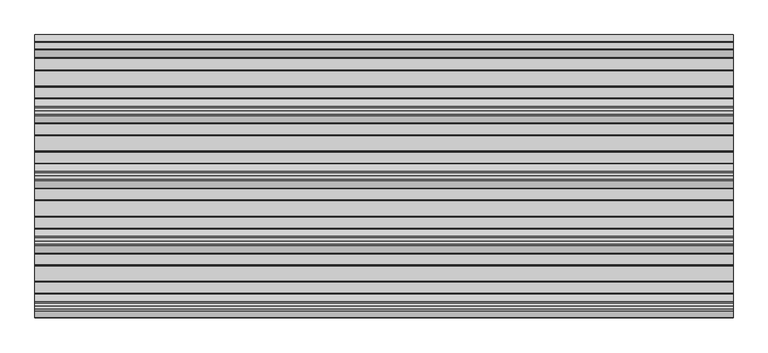
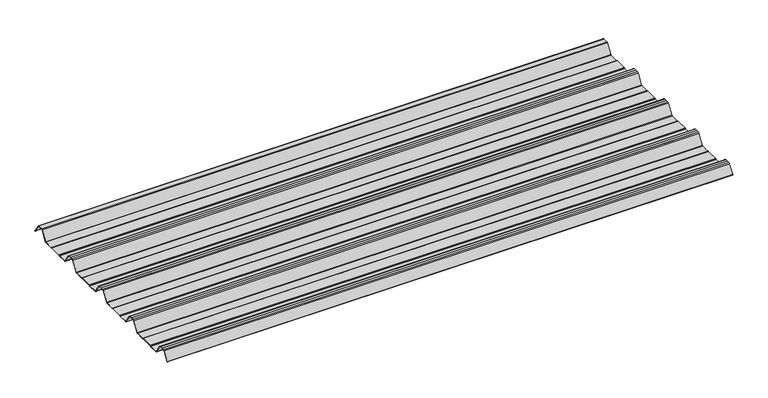
"""IFC4 building model written with IfcOpenShell, lengths in millimetres: beam geometry."""

import ifcopenshell
import ifcopenshell.guid

model = None  # the IFC model being written
_history = None  # IfcOwnerHistory: only IFC2X3 demands one
_inside = {}  # id of a spatial element -> (the spatial element, [elements in it])
_under = {}  # id of a project, library or spatial element -> (it, [spatial elements below it])
_declared = {}  # id of a project -> (the project, [libraries it declares])
_typed = {}  # id of a type object -> (the type object, [elements of that type])
_made_of = {}  # id of a material, layer set ... -> (it, [elements and type objects made of it])


def new_model(schema):
    """Start an empty IFC model of exactly this schema.

    Asked for "IFC4X3", IfcOpenShell would pick the latest addendum, in which some entities
    have other attributes; the version numbers below select the first issue.
    IFC2X3 requires an IfcOwnerHistory on every rooted entity: one is made here for all.
    """
    global model, _history
    if schema == "IFC4X3":
        model = ifcopenshell.file(schema_version=(4, 3, 0, 0))
    else:
        model = ifcopenshell.file(schema=schema)
    _inside.clear()
    _under.clear()
    _declared.clear()
    _typed.clear()
    _made_of.clear()
    _history = None
    if model.schema == "IFC2X3":
        org = make("IfcOrganization", Name="unknown")
        user = make(
            "IfcPersonAndOrganization",
            ThePerson=make("IfcPerson", FamilyName="unknown"),
            TheOrganization=org,
        )
        app = make(
            "IfcApplication",
            ApplicationDeveloper=org,
            Version="unknown",
            ApplicationFullName="unknown",
            ApplicationIdentifier="unknown",
        )
        _history = make(
            "IfcOwnerHistory",
            OwningUser=user,
            OwningApplication=app,
            ChangeAction="ADDED",
            CreationDate=0,
        )
    return model


def make(cls, **values):
    """One entity of the class cls with the attributes given. An attribute that is None is left unset."""
    return model.create_entity(
        cls, **{name: value for name, value in values.items() if value is not None}
    )


def rooted(cls, **values):
    """An entity with a GlobalId (a new one), such as an element, a storey or a relation."""
    return make(cls, GlobalId=ifcopenshell.guid.new(), OwnerHistory=_history, **values)


def si_unit(unit_type, name, prefix=None):
    """IfcSIUnit, for example si_unit("LENGTHUNIT", "METRE", prefix="MILLI")."""
    return make("IfcSIUnit", UnitType=unit_type, Prefix=prefix, Name=name)


def assignment(units):
    """IfcUnitAssignment: the units of a project."""
    return None if units is None else make("IfcUnitAssignment", Units=units)


def point(xyz):
    """IfcCartesianPoint."""
    return None if xyz is None else make("IfcCartesianPoint", Coordinates=xyz)


def direction(xyz):
    """IfcDirection."""
    return None if xyz is None else make("IfcDirection", DirectionRatios=xyz)


def frame(location, z_axis=None, x_axis=None):
    """IfcAxis2Placement3D, a coordinate frame: its origin and axes. An axis left out is left unset."""
    return make(
        "IfcAxis2Placement3D",
        Location=point(location),
        Axis=direction(z_axis),
        RefDirection=direction(x_axis),
    )


def frame_2d(location, x_axis=None):
    """IfcAxis2Placement2D, a coordinate frame in the plane: its origin and x axis."""
    return make(
        "IfcAxis2Placement2D", Location=point(location), RefDirection=direction(x_axis)
    )


def origin():
    """The frame at (0, 0, 0) with its axes left unset."""
    return frame((0.0, 0.0, 0.0))


def place(relative_to, where):
    """IfcLocalPlacement: puts the frame where relative to a parent placement (None: the world)."""
    return make(
        "IfcLocalPlacement", PlacementRelTo=relative_to, RelativePlacement=where
    )


def context(
    kind, dimensions, precision=None, world=None, true_north=None, identifier=None
):
    """IfcGeometricRepresentationContext, for example the 3D "Model" context."""
    return make(
        "IfcGeometricRepresentationContext",
        ContextIdentifier=identifier,
        ContextType=kind,
        CoordinateSpaceDimension=dimensions,
        Precision=precision,
        WorldCoordinateSystem=world,
        TrueNorth=true_north,
    )


def project(units=None, contexts=None):
    """IfcProject with its units and contexts."""
    return rooted(
        "IfcProject",
        Name="project",
        RepresentationContexts=contexts,
        UnitsInContext=assignment(units),
    )


def spatial(cls, under=None, at=None, **own):
    """A site, building, storey or space (cls), placed at a placement, below another one or the project."""
    s = rooted(cls, ObjectPlacement=at, **own)
    if under is not None:
        _under.setdefault(under.id(), (under, []))[1].append(s)
    return s


def polyline(points):
    """IfcPolyline through the points."""
    return make("IfcPolyline", Points=[point(p) for p in points])


def circle_curve(where, radius):
    """IfcCircle in the frame where."""
    return make("IfcCircle", Position=where, Radius=radius)


def trimmed(basis, trim1, trim2, sense, master):
    """IfcTrimmedCurve: the piece of a basis curve between two trims."""
    return make(
        "IfcTrimmedCurve",
        BasisCurve=basis,
        Trim1=trim1,
        Trim2=trim2,
        SenseAgreement=sense,
        MasterRepresentation=master,
    )


def segment(curve, same_sense, transition):
    """IfcCompositeCurveSegment."""
    return make(
        "IfcCompositeCurveSegment",
        Transition=transition,
        SameSense=same_sense,
        ParentCurve=curve,
    )


def composite_curve(segments, self_intersect=None):
    """IfcCompositeCurve: segments joined end to end."""
    return make("IfcCompositeCurve", Segments=segments, SelfIntersect=self_intersect)


def outline(outer, holes=None, kind="AREA"):
    """IfcArbitraryClosedProfileDef: a profile drawn as a closed curve; with holes, ...WithVoids."""
    if holes is None:
        return make("IfcArbitraryClosedProfileDef", ProfileType=kind, OuterCurve=outer)
    return make(
        "IfcArbitraryProfileDefWithVoids",
        ProfileType=kind,
        OuterCurve=outer,
        InnerCurves=holes,
    )


def extrude(swept, where, along, depth):
    """IfcExtrudedAreaSolid: the profile swept, set in the frame where, extruded along a direction by depth."""
    return make(
        "IfcExtrudedAreaSolid",
        SweptArea=swept,
        Position=where,
        ExtrudedDirection=direction(along),
        Depth=depth,
    )


def shape(context_of_items, identifier, shape_type, items):
    """IfcShapeRepresentation: the items that make up one representation, for example the "Body"."""
    return make(
        "IfcShapeRepresentation",
        ContextOfItems=context_of_items,
        RepresentationIdentifier=identifier,
        RepresentationType=shape_type,
        Items=items,
    )


def source(mapping_origin, context_of_items, identifier, shape_type, items):
    """IfcRepresentationMap: a shape defined once, which mapped items show again and again."""
    return make(
        "IfcRepresentationMap",
        MappingOrigin=mapping_origin,
        MappedRepresentation=shape(context_of_items, identifier, shape_type, items),
    )


def transform(
    local_origin,
    x_axis=None,
    y_axis=None,
    z_axis=None,
    scale=None,
    scale2=None,
    scale3=None,
    uniform=True,
):
    """IfcCartesianTransformationOperator3D, or its non-uniform kind. x_axis, y_axis, z_axis: its Axis1, 2, 3."""
    if uniform:
        return make(
            "IfcCartesianTransformationOperator3D",
            Axis1=direction(x_axis),
            Axis2=direction(y_axis),
            LocalOrigin=point(local_origin),
            Scale=scale,
            Axis3=direction(z_axis),
        )
    return make(
        "IfcCartesianTransformationOperator3DnonUniform",
        Axis1=direction(x_axis),
        Axis2=direction(y_axis),
        LocalOrigin=point(local_origin),
        Scale=scale,
        Axis3=direction(z_axis),
        Scale2=scale2,
        Scale3=scale3,
    )


def mapped(mapping_source, mapping_target):
    """IfcMappedItem: shows the shape of a source again, moved by a transform."""
    return make(
        "IfcMappedItem", MappingSource=mapping_source, MappingTarget=mapping_target
    )


def made_of(thing, what):
    """Note that an element or type object is made of a material, layer set ...; save() writes the relation."""
    if what is not None:
        _made_of.setdefault(what.id(), (what, []))[1].append(thing)
    return thing


def element(
    cls,
    number,
    at=None,
    inside=None,
    cuts=None,
    type_object=None,
    material=None,
    context=None,
    identifier="Body",
    shape_type=None,
    held_by="IfcProductDefinitionShape",
    body=None,
    shapes=None,
    **own,
):
    """One element of the class cls, such as IfcWall. Its Tag is "e" and its number.

    at: its placement. inside: the storey or other place that contains it. cuts: it is an
    opening in that element (IfcRelVoidsElement). A single representation is given by context,
    identifier, shape_type and body (its items); several are given by shapes. held_by: the class
    of the entity that holds the representations. save() writes the other relations.
    """
    e = rooted(cls, Tag="e%d" % number, ObjectPlacement=at, **own)
    if body is not None:
        shapes = [shape(context, identifier, shape_type, body)]
    if shapes is not None:
        e.Representation = make(held_by, Representations=shapes)
    if inside is not None:
        _inside.setdefault(inside.id(), (inside, []))[1].append(e)
    if cuts is not None:
        rooted(
            "IfcRelVoidsElement", RelatingBuildingElement=cuts, RelatedOpeningElement=e
        )
    if type_object is not None:
        _typed.setdefault(type_object.id(), (type_object, []))[1].append(e)
    return made_of(e, material)


def aggregate(whole, parts):
    """IfcRelAggregates: a whole, such as a stair, and the parts it consists of."""
    return rooted("IfcRelAggregates", RelatingObject=whole, RelatedObjects=parts)


def save(model, path):
    """Write the relations noted so far, then the file.

    IfcRelAggregates (storeys below a building ...), IfcRelContainedInSpatialStructure (elements
    in a storey), IfcRelDefinesByType, IfcRelAssociatesMaterial and IfcRelDeclares: one each for
    every whole, place, type object, material and project.
    """
    for whole, parts in _under.values():
        aggregate(whole, parts)
    for where, things in _inside.values():
        rooted(
            "IfcRelContainedInSpatialStructure",
            RelatedElements=things,
            RelatingStructure=where,
        )
    for kind, things in _typed.values():
        rooted("IfcRelDefinesByType", RelatedObjects=things, RelatingType=kind)
    for what, things in _made_of.values():
        rooted("IfcRelAssociatesMaterial", RelatedObjects=things, RelatingMaterial=what)
    for by, libraries in _declared.values():
        rooted("IfcRelDeclares", RelatingContext=by, RelatedDefinitions=libraries)
    model.write(path)


def beam_0d22305b(model_context):
    return source(origin(), model_context, "Body", "SweptSolid", [
        extrude(outline(composite_curve([segment(trimmed(circle_curve(frame_2d((-42.8221294, -22.7927378)), 1.9969096), [point((-42.8221294, -24.7896475))], [point((-41.1570881, -23.8951378))], True, "CARTESIAN"), True, "CONTINUOUS"), segment(polyline([(-41.1570881, -23.8951378), (-15.2135106, 15.2894853)]), True, "CONTINUOUS"), segment(trimmed(circle_curve(frame_2d((-11.5, 12.6603525)), 4.55), [point((-15.2135106, 15.2894853))], [point((-11.5, 17.2103525))], False, "CARTESIAN"), True, "CONTINUOUS"), segment(polyline([(-11.5, 17.2103525), (11.5, 17.2103525)]), True, "CONTINUOUS"), segment(trimmed(circle_curve(frame_2d((11.5, 12.6603525)), 4.55), [point((11.5, 17.2103525))], [point((15.2135106, 15.2894853))], False, "CARTESIAN"), True, "CONTINUOUS"), segment(polyline([(15.2135106, 15.2894853), (40.2177712, -22.4764137)]), True, "CONTINUOUS"), segment(trimmed(circle_curve(frame_2d((39.8008667, -22.7524402)), 0.5), [point((40.2177712, -22.4764137))], [point((39.3839622, -23.0284667))], False, "CARTESIAN"), True, "CONTINUOUS"), segment(polyline([(39.3839622, -23.0284667), (14.3888612, 14.7235977)]), True, "CONTINUOUS"), segment(trimmed(circle_curve(frame_2d((11.5, 12.6603525)), 3.55), [point((14.3888612, 14.7235977))], [point((11.5, 16.2103525))], True, "CARTESIAN"), True, "CONTINUOUS"), segment(polyline([(11.5, 16.2103525), (-11.5, 16.2103525)]), True, "CONTINUOUS"), segment(trimmed(circle_curve(frame_2d((-11.5, 12.6603525)), 3.55), [point((-11.5, 16.2103525))], [point((-14.3888612, 14.7235977))], True, "CARTESIAN"), True, "CONTINUOUS"), segment(polyline([(-14.3888612, 14.7235977), (-40.3232791, -24.4471908)]), True, "CONTINUOUS"), segment(trimmed(circle_curve(frame_2d((-42.8221294, -22.7927378)), 2.9969096), [point((-40.3232791, -24.4471908))], [point((-42.8221294, -25.7896475))], False, "CARTESIAN"), True, "CONTINUOUS"), segment(polyline([(-42.8221294, -25.7896475), (-85.388552, -25.7896475)]), True, "CONTINUOUS"), segment(trimmed(circle_curve(frame_2d((-85.388552, -24.3396475)), 1.45), [point((-85.388552, -25.7896475))], [point((-86.3205937, -25.4504122))], False, "CARTESIAN"), True, "CONTINUOUS"), segment(polyline([(-86.3205937, -25.4504122), (-87.5888326, -24.386234)]), True, "CONTINUOUS"), segment(trimmed(circle_curve(frame_2d((-89.2279412, -26.3396487)), 2.5500012), [point((-87.5888326, -24.386234))], [point((-89.2279412, -23.7896475))], True, "CARTESIAN"), True, "CONTINUOUS"), segment(polyline([(-89.2279412, -23.7896475), (-143.2720588, -23.7896475)]), True, "CONTINUOUS"), segment(trimmed(circle_curve(frame_2d((-143.2720588, -26.3396487)), 2.5500012), [point((-143.2720588, -23.7896475))], [point((-144.9111674, -24.386234))], True, "CARTESIAN"), True, "CONTINUOUS"), segment(polyline([(-144.9111674, -24.386234), (-146.1794063, -25.4504122)]), True, "CONTINUOUS"), segment(trimmed(circle_curve(frame_2d((-147.111448, -24.3396475)), 1.45), [point((-146.1794063, -25.4504122))], [point((-147.111448, -25.7896475))], False, "CARTESIAN"), True, "CONTINUOUS"), segment(polyline([(-147.111448, -25.7896475), (-186.4999995, -25.7896475)]), True, "CONTINUOUS"), segment(trimmed(circle_curve(frame_2d((-186.4999995, -21.3396478)), 4.4499996), [point((-186.4999995, -25.7896475))], [point((-190.1531515, -23.8807062))], False, "CARTESIAN"), True, "CONTINUOUS"), segment(polyline([(-190.1531515, -23.8807062), (-216.4608773, 15.8539187)]), True, "CONTINUOUS"), segment(trimmed(circle_curve(frame_2d((-221.0, 12.6603525)), 5.55), [point((-216.4608773, 15.8539187))], [point((-221.0, 18.2103525))], True, "CARTESIAN"), True, "CONTINUOUS"), segment(polyline([(-221.0, 18.2103525), (-232.5, 18.2103525), (-244.0, 18.2103525)]), True, "CONTINUOUS"), segment(trimmed(circle_curve(frame_2d((-244.0, 12.6603525)), 5.55), [point((-244.0, 18.2103525))], [point((-248.5391227, 15.8539187))], True, "CARTESIAN"), True, "CONTINUOUS"), segment(polyline([(-248.5391227, 15.8539187), (-274.8468485, -23.8807062)]), True, "CONTINUOUS"), segment(trimmed(circle_curve(frame_2d((-278.5000005, -21.3396478)), 4.4499996), [point((-274.8468485, -23.8807062))], [point((-278.5000005, -25.7896475))], False, "CARTESIAN"), True, "CONTINUOUS"), segment(polyline([(-278.5000005, -25.7896475), (-317.888552, -25.7896475)]), True, "CONTINUOUS"), segment(trimmed(circle_curve(frame_2d((-317.888552, -24.3396475)), 1.45), [point((-317.888552, -25.7896475))], [point((-318.8205937, -25.4504122))], False, "CARTESIAN"), True, "CONTINUOUS"), segment(polyline([(-318.8205937, -25.4504122), (-320.0888326, -24.386234)]), True, "CONTINUOUS"), segment(trimmed(circle_curve(frame_2d((-321.7279412, -26.3396487)), 2.5500012), [point((-320.0888326, -24.386234))], [point((-321.7279412, -23.7896475))], True, "CARTESIAN"), True, "CONTINUOUS"), segment(polyline([(-321.7279412, -23.7896475), (-375.7720588, -23.7896475)]), True, "CONTINUOUS"), segment(trimmed(circle_curve(frame_2d((-375.7720588, -26.3396487)), 2.5500012), [point((-375.7720588, -23.7896475))], [point((-377.4111674, -24.386234))], True, "CARTESIAN"), True, "CONTINUOUS"), segment(polyline([(-377.4111674, -24.386234), (-378.6794063, -25.4504122)]), True, "CONTINUOUS"), segment(trimmed(circle_curve(frame_2d((-379.611448, -24.3396475)), 1.45), [point((-378.6794063, -25.4504122))], [point((-379.611448, -25.7896475))], False, "CARTESIAN"), True, "CONTINUOUS"), segment(polyline([(-379.611448, -25.7896475), (-418.9999995, -25.7896475)]), True, "CONTINUOUS"), segment(trimmed(circle_curve(frame_2d((-418.9999995, -21.3396478)), 4.4499996), [point((-418.9999995, -25.7896475))], [point((-422.6531515, -23.8807062))], False, "CARTESIAN"), True, "CONTINUOUS"), segment(polyline([(-422.6531515, -23.8807062), (-448.9608773, 15.8539187)]), True, "CONTINUOUS"), segment(trimmed(circle_curve(frame_2d((-453.5, 12.6603525)), 5.55), [point((-448.9608773, 15.8539187))], [point((-453.5, 18.2103525))], True, "CARTESIAN"), True, "CONTINUOUS"), segment(polyline([(-453.5, 18.2103525), (-465.0, 18.2103525), (-476.5, 18.2103525)]), True, "CONTINUOUS"), segment(trimmed(circle_curve(frame_2d((-476.5, 12.6603525)), 5.55), [point((-476.5, 18.2103525))], [point((-481.0391227, 15.8539187))], True, "CARTESIAN"), True, "CONTINUOUS"), segment(polyline([(-481.0391227, 15.8539187), (-507.3468485, -23.8807062)]), True, "CONTINUOUS"), segment(trimmed(circle_curve(frame_2d((-511.0000005, -21.3396478)), 4.4499996), [point((-507.3468485, -23.8807062))], [point((-511.0000005, -25.7896475))], False, "CARTESIAN"), True, "CONTINUOUS"), segment(polyline([(-511.0000005, -25.7896475), (-550.388552, -25.7896475)]), True, "CONTINUOUS"), segment(trimmed(circle_curve(frame_2d((-550.388552, -24.3396475)), 1.45), [point((-550.388552, -25.7896475))], [point((-551.3205937, -25.4504122))], False, "CARTESIAN"), True, "CONTINUOUS"), segment(polyline([(-551.3205937, -25.4504122), (-552.5888326, -24.386234)]), True, "CONTINUOUS"), segment(trimmed(circle_curve(frame_2d((-554.2279412, -26.3396487)), 2.5500012), [point((-552.5888326, -24.386234))], [point((-554.2279412, -23.7896475))], True, "CARTESIAN"), True, "CONTINUOUS"), segment(polyline([(-554.2279412, -23.7896475), (-608.2720588, -23.7896475)]), True, "CONTINUOUS"), segment(trimmed(circle_curve(frame_2d((-608.2720588, -26.3396487)), 2.5500012), [point((-608.2720588, -23.7896475))], [point((-609.9111674, -24.386234))], True, "CARTESIAN"), True, "CONTINUOUS"), segment(polyline([(-609.9111674, -24.386234), (-611.1794063, -25.4504122)]), True, "CONTINUOUS"), segment(trimmed(circle_curve(frame_2d((-612.111448, -24.3396475)), 1.45), [point((-611.1794063, -25.4504122))], [point((-612.111448, -25.7896475))], False, "CARTESIAN"), True, "CONTINUOUS"), segment(polyline([(-612.111448, -25.7896475), (-651.4999995, -25.7896475)]), True, "CONTINUOUS"), segment(trimmed(circle_curve(frame_2d((-651.4999995, -21.3396478)), 4.4499996), [point((-651.4999995, -25.7896475))], [point((-655.1531515, -23.8807062))], False, "CARTESIAN"), True, "CONTINUOUS"), segment(polyline([(-655.1531515, -23.8807062), (-681.4608773, 15.8539187)]), True, "CONTINUOUS"), segment(trimmed(circle_curve(frame_2d((-686.0, 12.6603525)), 5.55), [point((-681.4608773, 15.8539187))], [point((-686.0, 18.2103525))], True, "CARTESIAN"), True, "CONTINUOUS"), segment(polyline([(-686.0, 18.2103525), (-697.5, 18.2103525), (-709.0, 18.2103525)]), True, "CONTINUOUS"), segment(trimmed(circle_curve(frame_2d((-709.0, 12.6603525)), 5.55), [point((-709.0, 18.2103525))], [point((-713.5391227, 15.8539187))], True, "CARTESIAN"), True, "CONTINUOUS"), segment(polyline([(-713.5391227, 15.8539187), (-739.8468485, -23.8807062)]), True, "CONTINUOUS"), segment(trimmed(circle_curve(frame_2d((-743.5000005, -21.3396478)), 4.4499996), [point((-739.8468485, -23.8807062))], [point((-743.5000005, -25.7896475))], False, "CARTESIAN"), True, "CONTINUOUS"), segment(polyline([(-743.5000005, -25.7896475), (-782.888552, -25.7896475)]), True, "CONTINUOUS"), segment(trimmed(circle_curve(frame_2d((-782.888552, -24.3396475)), 1.45), [point((-782.888552, -25.7896475))], [point((-783.8205937, -25.4504122))], False, "CARTESIAN"), True, "CONTINUOUS"), segment(polyline([(-783.8205937, -25.4504122), (-785.0888326, -24.386234)]), True, "CONTINUOUS"), segment(trimmed(circle_curve(frame_2d((-786.7279412, -26.3396487)), 2.5500012), [point((-785.0888326, -24.386234))], [point((-786.7279412, -23.7896475))], True, "CARTESIAN"), True, "CONTINUOUS"), segment(polyline([(-786.7279412, -23.7896475), (-840.7720588, -23.7896475)]), True, "CONTINUOUS"), segment(trimmed(circle_curve(frame_2d((-840.7720588, -26.3396487)), 2.5500012), [point((-840.7720588, -23.7896475))], [point((-842.4111674, -24.386234))], True, "CARTESIAN"), True, "CONTINUOUS"), segment(polyline([(-842.4111674, -24.386234), (-843.6794063, -25.4504122)]), True, "CONTINUOUS"), segment(trimmed(circle_curve(frame_2d((-844.611448, -24.3396475)), 1.45), [point((-843.6794063, -25.4504122))], [point((-844.611448, -25.7896475))], False, "CARTESIAN"), True, "CONTINUOUS"), segment(polyline([(-844.611448, -25.7896475), (-883.9999995, -25.7896475)]), True, "CONTINUOUS"), segment(trimmed(circle_curve(frame_2d((-883.9999995, -21.3396478)), 4.4499996), [point((-883.9999995, -25.7896475))], [point((-887.6531515, -23.8807062))], False, "CARTESIAN"), True, "CONTINUOUS"), segment(polyline([(-887.6531515, -23.8807062), (-913.9608773, 15.8539187)]), True, "CONTINUOUS"), segment(trimmed(circle_curve(frame_2d((-918.5, 12.6603525)), 5.55), [point((-913.9608773, 15.8539187))], [point((-918.5, 18.2103525))], True, "CARTESIAN"), True, "CONTINUOUS"), segment(polyline([(-918.5, 18.2103525), (-930.0, 18.2103525), (-941.5, 18.2103525)]), True, "CONTINUOUS"), segment(trimmed(circle_curve(frame_2d((-941.5, 12.6603525)), 5.55), [point((-941.5, 18.2103525))], [point((-946.0391227, 15.8539187))], True, "CARTESIAN"), True, "CONTINUOUS"), segment(polyline([(-946.0391227, 15.8539187), (-969.9715304, -20.2930766)]), True, "CONTINUOUS"), segment(trimmed(circle_curve(frame_2d((-970.3884349, -20.0170501)), 0.5), [point((-969.9715304, -20.2930766))], [point((-970.8053395, -19.7410236))], False, "CARTESIAN"), True, "CONTINUOUS"), segment(polyline([(-970.8053395, -19.7410236), (-946.8654458, 16.4172784)]), True, "CONTINUOUS"), segment(trimmed(circle_curve(frame_2d((-941.5, 12.6603525)), 6.55), [point((-946.8654458, 16.4172784))], [point((-941.5, 19.2103525))], False, "CARTESIAN"), True, "CONTINUOUS"), segment(polyline([(-941.5, 19.2103525), (-930.0, 19.2103525), (-918.5, 19.2103525)]), True, "CONTINUOUS"), segment(trimmed(circle_curve(frame_2d((-918.5, 12.6603525)), 6.55), [point((-918.5, 19.2103525))], [point((-913.1345542, 16.4172784))], False, "CARTESIAN"), True, "CONTINUOUS"), segment(polyline([(-913.1345542, 16.4172784), (-886.8260739, -23.3184861)]), True, "CONTINUOUS"), segment(trimmed(circle_curve(frame_2d((-883.9999995, -21.3396478)), 3.4499996), [point((-886.8260739, -23.3184861))], [point((-883.9999995, -24.7896475))], True, "CARTESIAN"), True, "CONTINUOUS"), segment(polyline([(-883.9999995, -24.7896475), (-844.8915726, -24.7896475)]), True, "CONTINUOUS"), segment(trimmed(circle_curve(frame_2d((-844.8915726, -23.5700111)), 1.2196364), [point((-844.8915726, -24.7896475))], [point((-844.1076057, -24.504307))], True, "CARTESIAN"), True, "CONTINUOUS"), segment(polyline([(-844.1076057, -24.504307), (-843.0539548, -23.6201894)]), True, "CONTINUOUS"), segment(trimmed(circle_curve(frame_2d((-840.7720588, -26.3396487)), 3.5500012), [point((-843.0539548, -23.6201894))], [point((-840.7720588, -22.7896475))], False, "CARTESIAN"), True, "CONTINUOUS"), segment(polyline([(-840.7720588, -22.7896475), (-786.7279412, -22.7896475)]), True, "CONTINUOUS"), segment(trimmed(circle_curve(frame_2d((-786.7279412, -26.3396487)), 3.5500012), [point((-786.7279412, -22.7896475))], [point((-784.4460452, -23.6201894))], False, "CARTESIAN"), True, "CONTINUOUS"), segment(polyline([(-784.4460452, -23.6201894), (-783.3923943, -24.504307)]), True, "CONTINUOUS"), segment(trimmed(circle_curve(frame_2d((-782.6084274, -23.5700111)), 1.2196364), [point((-783.3923943, -24.504307))], [point((-782.6084274, -24.7896475))], True, "CARTESIAN"), True, "CONTINUOUS"), segment(polyline([(-782.6084274, -24.7896475), (-743.5000005, -24.7896475)]), True, "CONTINUOUS"), segment(trimmed(circle_curve(frame_2d((-743.5000005, -21.3396478)), 3.4499996), [point((-743.5000005, -24.7896475))], [point((-740.6739261, -23.3184861))], True, "CARTESIAN"), True, "CONTINUOUS"), segment(polyline([(-740.6739261, -23.3184861), (-714.3654458, 16.4172784)]), True, "CONTINUOUS"), segment(trimmed(circle_curve(frame_2d((-709.0, 12.6603525)), 6.55), [point((-714.3654458, 16.4172784))], [point((-709.0, 19.2103525))], False, "CARTESIAN"), True, "CONTINUOUS"), segment(polyline([(-709.0, 19.2103525), (-697.5, 19.2103525), (-686.0, 19.2103525)]), True, "CONTINUOUS"), segment(trimmed(circle_curve(frame_2d((-686.0, 12.6603525)), 6.55), [point((-686.0, 19.2103525))], [point((-680.6345542, 16.4172784))], False, "CARTESIAN"), True, "CONTINUOUS"), segment(polyline([(-680.6345542, 16.4172784), (-654.3260739, -23.3184861)]), True, "CONTINUOUS"), segment(trimmed(circle_curve(frame_2d((-651.4999995, -21.3396478)), 3.4499996), [point((-654.3260739, -23.3184861))], [point((-651.4999995, -24.7896475))], True, "CARTESIAN"), True, "CONTINUOUS"), segment(polyline([(-651.4999995, -24.7896475), (-612.3915726, -24.7896475)]), True, "CONTINUOUS"), segment(trimmed(circle_curve(frame_2d((-612.3915726, -23.5700111)), 1.2196364), [point((-612.3915726, -24.7896475))], [point((-611.6076057, -24.504307))], True, "CARTESIAN"), True, "CONTINUOUS"), segment(polyline([(-611.6076057, -24.504307), (-610.5539548, -23.6201894)]), True, "CONTINUOUS"), segment(trimmed(circle_curve(frame_2d((-608.2720588, -26.3396487)), 3.5500012), [point((-610.5539548, -23.6201894))], [point((-608.2720588, -22.7896475))], False, "CARTESIAN"), True, "CONTINUOUS"), segment(polyline([(-608.2720588, -22.7896475), (-554.2279412, -22.7896475)]), True, "CONTINUOUS"), segment(trimmed(circle_curve(frame_2d((-554.2279412, -26.3396487)), 3.5500012), [point((-554.2279412, -22.7896475))], [point((-551.9460452, -23.6201894))], False, "CARTESIAN"), True, "CONTINUOUS"), segment(polyline([(-551.9460452, -23.6201894), (-550.8923943, -24.504307)]), True, "CONTINUOUS"), segment(trimmed(circle_curve(frame_2d((-550.1084274, -23.5700111)), 1.2196364), [point((-550.8923943, -24.504307))], [point((-550.1084274, -24.7896475))], True, "CARTESIAN"), True, "CONTINUOUS"), segment(polyline([(-550.1084274, -24.7896475), (-511.0000005, -24.7896475)]), True, "CONTINUOUS"), segment(trimmed(circle_curve(frame_2d((-511.0000005, -21.3396478)), 3.4499996), [point((-511.0000005, -24.7896475))], [point((-508.1739261, -23.3184861))], True, "CARTESIAN"), True, "CONTINUOUS"), segment(polyline([(-508.1739261, -23.3184861), (-481.8654458, 16.4172784)]), True, "CONTINUOUS"), segment(trimmed(circle_curve(frame_2d((-476.5, 12.6603525)), 6.55), [point((-481.8654458, 16.4172784))], [point((-476.5, 19.2103525))], False, "CARTESIAN"), True, "CONTINUOUS"), segment(polyline([(-476.5, 19.2103525), (-465.0, 19.2103525), (-453.5, 19.2103525)]), True, "CONTINUOUS"), segment(trimmed(circle_curve(frame_2d((-453.5, 12.6603525)), 6.55), [point((-453.5, 19.2103525))], [point((-448.1345542, 16.4172784))], False, "CARTESIAN"), True, "CONTINUOUS"), segment(polyline([(-448.1345542, 16.4172784), (-421.8260739, -23.3184861)]), True, "CONTINUOUS"), segment(trimmed(circle_curve(frame_2d((-418.9999995, -21.3396478)), 3.4499996), [point((-421.8260739, -23.3184861))], [point((-418.9999995, -24.7896475))], True, "CARTESIAN"), True, "CONTINUOUS"), segment(polyline([(-418.9999995, -24.7896475), (-379.8915726, -24.7896475)]), True, "CONTINUOUS"), segment(trimmed(circle_curve(frame_2d((-379.8915726, -23.5700111)), 1.2196364), [point((-379.8915726, -24.7896475))], [point((-379.1076057, -24.504307))], True, "CARTESIAN"), True, "CONTINUOUS"), segment(polyline([(-379.1076057, -24.504307), (-378.0539548, -23.6201894)]), True, "CONTINUOUS"), segment(trimmed(circle_curve(frame_2d((-375.7720588, -26.3396487)), 3.5500012), [point((-378.0539548, -23.6201894))], [point((-375.7720588, -22.7896475))], False, "CARTESIAN"), True, "CONTINUOUS"), segment(polyline([(-375.7720588, -22.7896475), (-321.7279412, -22.7896475)]), True, "CONTINUOUS"), segment(trimmed(circle_curve(frame_2d((-321.7279412, -26.3396487)), 3.5500012), [point((-321.7279412, -22.7896475))], [point((-319.4460452, -23.6201894))], False, "CARTESIAN"), True, "CONTINUOUS"), segment(polyline([(-319.4460452, -23.6201894), (-318.3923943, -24.504307)]), True, "CONTINUOUS"), segment(trimmed(circle_curve(frame_2d((-317.6084274, -23.5700111)), 1.2196364), [point((-318.3923943, -24.504307))], [point((-317.6084274, -24.7896475))], True, "CARTESIAN"), True, "CONTINUOUS"), segment(polyline([(-317.6084274, -24.7896475), (-278.5000005, -24.7896475)]), True, "CONTINUOUS"), segment(trimmed(circle_curve(frame_2d((-278.5000005, -21.3396478)), 3.4499996), [point((-278.5000005, -24.7896475))], [point((-275.6739261, -23.3184861))], True, "CARTESIAN"), True, "CONTINUOUS"), segment(polyline([(-275.6739261, -23.3184861), (-249.3654458, 16.4172784)]), True, "CONTINUOUS"), segment(trimmed(circle_curve(frame_2d((-244.0, 12.6603525)), 6.55), [point((-249.3654458, 16.4172784))], [point((-244.0, 19.2103525))], False, "CARTESIAN"), True, "CONTINUOUS"), segment(polyline([(-244.0, 19.2103525), (-232.5, 19.2103525), (-221.0, 19.2103525)]), True, "CONTINUOUS"), segment(trimmed(circle_curve(frame_2d((-221.0, 12.6603525)), 6.55), [point((-221.0, 19.2103525))], [point((-215.6345542, 16.4172784))], False, "CARTESIAN"), True, "CONTINUOUS"), segment(polyline([(-215.6345542, 16.4172784), (-189.3260739, -23.3184861)]), True, "CONTINUOUS"), segment(trimmed(circle_curve(frame_2d((-186.4999995, -21.3396478)), 3.4499996), [point((-189.3260739, -23.3184861))], [point((-186.4999995, -24.7896475))], True, "CARTESIAN"), True, "CONTINUOUS"), segment(polyline([(-186.4999995, -24.7896475), (-147.3915726, -24.7896475)]), True, "CONTINUOUS"), segment(trimmed(circle_curve(frame_2d((-147.3915726, -23.5700111)), 1.2196364), [point((-147.3915726, -24.7896475))], [point((-146.6076057, -24.504307))], True, "CARTESIAN"), True, "CONTINUOUS"), segment(polyline([(-146.6076057, -24.504307), (-145.5539548, -23.6201894)]), True, "CONTINUOUS"), segment(trimmed(circle_curve(frame_2d((-143.2720588, -26.3396487)), 3.5500012), [point((-145.5539548, -23.6201894))], [point((-143.2720588, -22.7896475))], False, "CARTESIAN"), True, "CONTINUOUS"), segment(polyline([(-143.2720588, -22.7896475), (-89.2279412, -22.7896475)]), True, "CONTINUOUS"), segment(trimmed(circle_curve(frame_2d((-89.2279412, -26.3396487)), 3.5500012), [point((-89.2279412, -22.7896475))], [point((-86.9460452, -23.6201894))], False, "CARTESIAN"), True, "CONTINUOUS"), segment(polyline([(-86.9460452, -23.6201894), (-85.8923943, -24.504307)]), True, "CONTINUOUS"), segment(trimmed(circle_curve(frame_2d((-85.1084274, -23.5700111)), 1.2196364), [point((-85.8923943, -24.504307))], [point((-85.1084274, -24.7896475))], True, "CARTESIAN"), True, "CONTINUOUS"), segment(polyline([(-85.1084274, -24.7896475), (-42.8221294, -24.7896475)]), True, "CONTINUOUS")], self_intersect=False)), frame((-1245.9142142, 0.0, 0.0), z_axis=(1.0, 0.0, 0.0), x_axis=(0.0, 1.0, 0.0)), (0.0, 0.0, 1.0), 2491.8284283),
    ])


if __name__ == "__main__":
    model = new_model("IFC4")
    model_context = context("Model", 3, world=origin())
    ifc_project = project(units=[si_unit("LENGTHUNIT", "METRE", prefix="MILLI")], contexts=[model_context])
    site = spatial("IfcSite", under=ifc_project)
    building = spatial("IfcBuilding", under=site)
    placement = place(None, origin())
    beam_shape = beam_0d22305b(model_context)
    element("IfcBeam", 1, at=placement, inside=building, context=model_context, shape_type="MappedRepresentation", body=[
        mapped(beam_shape, transform((0.0, 0.0, 0.0), x_axis=(1.0, 0.0, 0.0), y_axis=(0.0, 1.0, 0.0), z_axis=(0.0, 0.0, 1.0))),
    ])
    save(model, "model.ifc")
